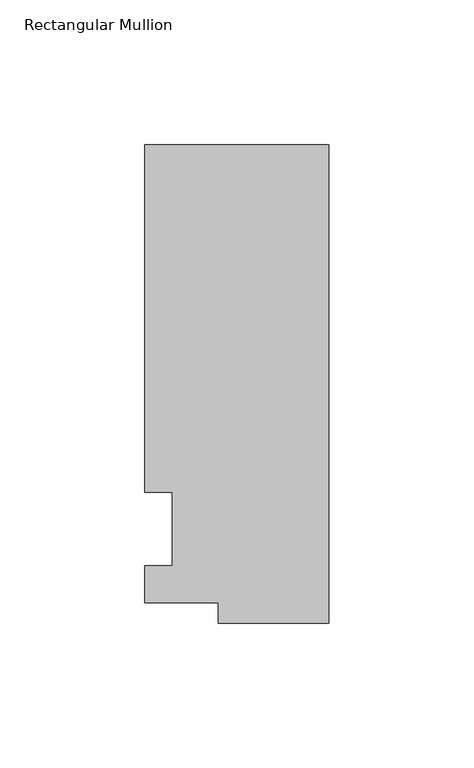
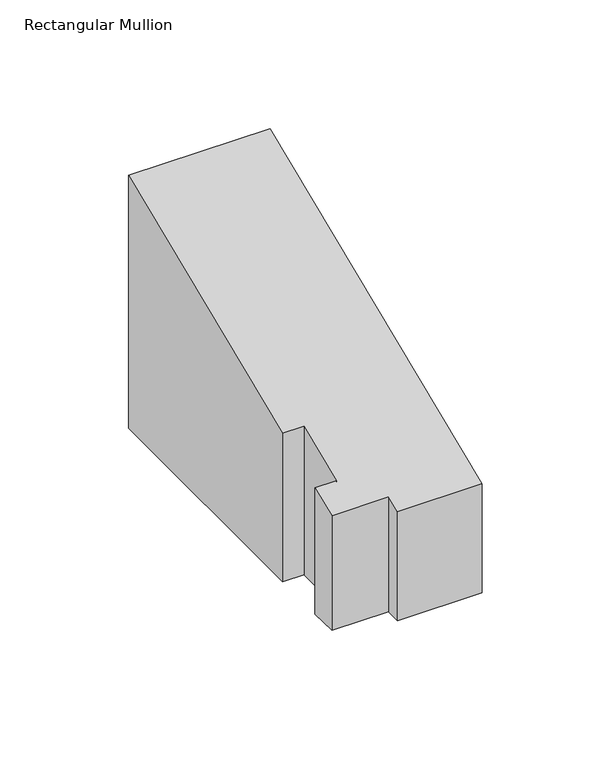
"""IFC4 building model written with IfcOpenShell, lengths in millimetres: member geometry, Rectangular Mullion."""

from ifc_helpers import new_model, si_unit, origin, place, context, project, spatial, faceted_brep, source, transform, mapped, element, save


def rectangular_mullion_3974dcb0(model_context):
    return source(origin(), model_context, "Body", "Brep", [
        faceted_brep([(-38.1, -32.54375, -65.0875), (-38.1, -25.58415, -65.0875), (-63.5, -25.58415, -65.0875), (-63.5, -12.7, -65.0875), (-53.975, -12.7, -65.0875), (-53.975, 12.7, -65.0875), (-63.5, 12.7, -65.0875), (-63.5, 132.55625, -65.0875), (0.0, 132.55625, -65.0875), (0.0, -32.54375, -65.0875), (0.0, -32.54375, -13.4800626), (-38.1, -32.54375, -13.4800626), (0.0, 132.55625, 54.9065965), (-63.5, 132.55625, 54.9065965), (-63.5, 12.7, 5.2605122), (-53.975, 12.7, 5.2605122), (-53.975, -12.7, -5.2605122), (-63.5, -12.7, -5.2605122), (-63.5, -25.58415, -10.5973019), (-38.1, -25.58415, -10.5973019)], [[[0, 1, 2, 3, 4, 5, 6, 7, 8, 9]], [[10, 11, 0, 9]], [[12, 10, 9, 8]], [[13, 12, 8, 7]], [[14, 13, 7, 6]], [[15, 14, 6, 5]], [[16, 15, 5, 4]], [[17, 16, 4, 3]], [[18, 17, 3, 2]], [[11, 10, 12, 13, 14, 15, 16, 17, 18, 19]], [[19, 18, 2, 1]], [[11, 19, 1, 0]]]),
    ])


if __name__ == "__main__":
    model = new_model("IFC4")
    model_context = context("Model", 3, world=origin())
    ifc_project = project(units=[si_unit("LENGTHUNIT", "METRE", prefix="MILLI")], contexts=[model_context])
    site = spatial("IfcSite", under=ifc_project)
    building = spatial("IfcBuilding", under=site)
    placement = place(None, origin())
    rectangular_mullion_shape = rectangular_mullion_3974dcb0(model_context)
    element("IfcMember", 1, ObjectType="Rectangular Mullion", at=placement, inside=building, context=model_context, shape_type="MappedRepresentation", body=[
        mapped(rectangular_mullion_shape, transform((0.0, 0.0, 0.0), x_axis=(1.0, 0.0, 0.0), y_axis=(0.0, 1.0, 0.0), z_axis=(0.0, 0.0, 1.0))),
    ])
    save(model, "model.ifc")
